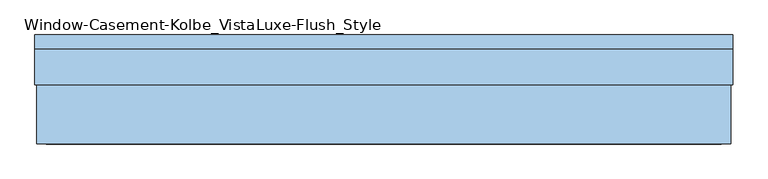
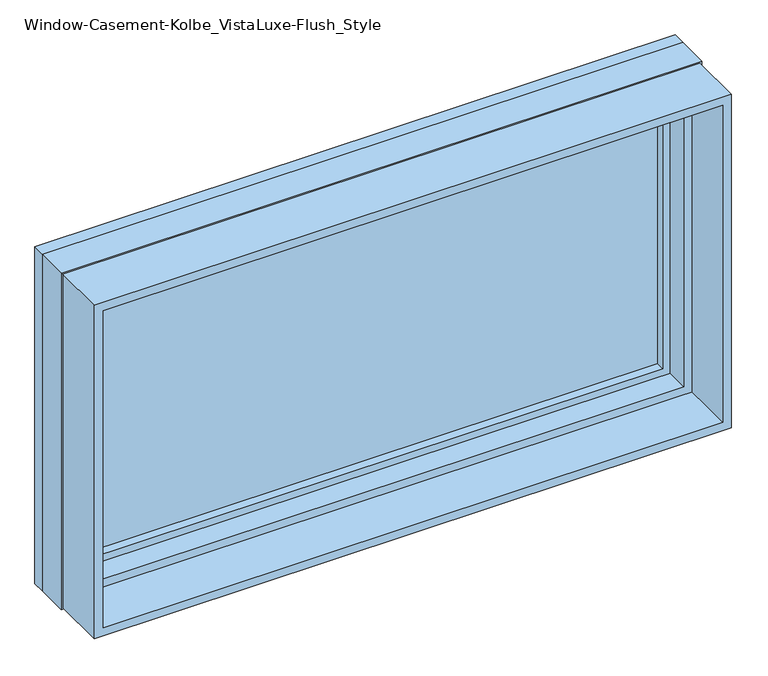
"""IFC4 building model written with IfcOpenShell, lengths in millimetres: window geometry, Window-Casement-Kolbe_VistaLuxe-Flush_Style."""

from ifc_helpers import new_model, si_unit, frame, origin, place, context, project, spatial, polyline, outline, extrude, faceted_brep, source, transform, mapped, element, save


def window_casement_kolbe_vistaluxe_flush_style_ca191bc2(model_context):
    return source(origin(), model_context, "Body", "SolidModel", [
        faceted_brep([(-635.0696599, 111.85398, 970.676875), (623.9765901, 111.85398, 970.676875), (623.9765901, 119.79148, 970.676875), (-635.0696599, 119.79148, 970.676875), (-650.9446599, 89.60358, 954.801875), (639.8515901, 89.60358, 954.801875), (639.8515901, 111.85398, 954.801875), (-650.9446599, 111.85398, 954.801875), (-635.0696599, 70.57898, 970.676875), (623.9765901, 70.57898, 970.676875), (623.9765901, 89.60358, 970.676875), (-635.0696599, 89.60358, 970.676875), (-679.5196599, 119.79148, 926.226875), (668.4265901, 119.79148, 926.226875), (668.4265901, 70.57898, 926.226875), (-679.5196599, 70.57898, 926.226875), (623.9765901, 111.85398, 1620.123125), (623.9765901, 119.79148, 1620.123125), (639.8515901, 89.60358, 1635.998125), (639.8515901, 111.85398, 1635.998125), (623.9765901, 70.57898, 1620.123125), (623.9765901, 89.60358, 1620.123125), (668.4265901, 119.79148, 1664.573125), (668.4265901, 70.57898, 1664.573125), (-635.0696599, 111.85398, 1620.123125), (-635.0696599, 119.79148, 1620.123125), (-650.9446599, 89.60358, 1635.998125), (-650.9446599, 111.85398, 1635.998125), (-635.0696599, 70.57898, 1620.123125), (-635.0696599, 89.60358, 1620.123125), (-679.5196599, 119.79148, 1664.573125), (-679.5196599, 70.57898, 1664.573125)], [[[0, 1, 2, 3]], [[4, 5, 6, 7]], [[8, 9, 10, 11]], [[12, 13, 14, 15]], [[1, 16, 17, 2]], [[5, 18, 19, 6]], [[9, 20, 21, 10]], [[13, 22, 23, 14]], [[16, 24, 25, 17]], [[18, 26, 27, 19]], [[20, 28, 29, 21]], [[22, 30, 31, 23]], [[24, 0, 3, 25]], [[7, 6, 19, 27], [1, 0, 24, 16]], [[26, 4, 7, 27]], [[5, 4, 26, 18], [11, 10, 21, 29]], [[28, 8, 11, 29]], [[15, 14, 23, 31], [9, 8, 28, 20]], [[30, 12, 15, 31]], [[13, 12, 30, 22], [3, 2, 17, 25]]]),
        extrude(outline(polyline([(1672.8186, -687.7651349), (917.9814, -687.7651349), (917.9814, 676.6720651), (1672.8186, 676.6720651), (1672.8186, -687.7651349)]), holes=[polyline([(936.545625, -669.2009099), (1654.254375, -669.2009099), (1654.254375, 658.1078401), (936.545625, 658.1078401), (936.545625, -669.2009099)])]), frame((0.0, -93.6625, 0.0), z_axis=(0.0, 1.0, 0.0), x_axis=(0.0, 0.0, 1.0)), (0.0, 0.0, 1.0), 116.6622),
        extrude(outline(polyline([(1676.4, 680.2534651), (1676.4, -691.3465349), (914.4, -691.3465349), (914.4, 680.2534651), (1676.4, 680.2534651)]), holes=[polyline([(1664.573125, -679.5196599), (1664.573125, 668.4265901), (926.226875, 668.4265901), (926.226875, -679.5196599), (1664.573125, -679.5196599)])]), frame((0.0, 93.6625, 0.0), z_axis=(0.0, 1.0, 0.0), x_axis=(0.0, 0.0, 1.0)), (0.0, 0.0, 1.0), 26.924),
        faceted_brep([(680.2534651, 22.9997, 914.4), (-691.3465349, 22.9997, 914.4), (-691.3465349, 93.6625, 914.4), (680.2534651, 93.6625, 914.4), (658.1078401, 70.58025, 936.545625), (-669.2009099, 70.58025, 936.545625), (-669.2009099, 22.9997, 936.545625), (658.1078401, 22.9997, 936.545625), (668.4265901, 93.6625, 926.226875), (-679.5196599, 93.6625, 926.226875), (-679.5196599, 70.58025, 926.226875), (668.4265901, 70.58025, 926.226875), (-691.3465349, 22.9997, 1676.4), (-691.3465349, 93.6625, 1676.4), (-669.2009099, 70.58025, 1654.254375), (-669.2009099, 22.9997, 1654.254375), (-679.5196599, 93.6625, 1664.573125), (-679.5196599, 70.58025, 1664.573125), (680.2534651, 22.9997, 1676.4), (680.2534651, 93.6625, 1676.4), (658.1078401, 70.58025, 1654.254375), (658.1078401, 22.9997, 1654.254375), (668.4265901, 93.6625, 1664.573125), (668.4265901, 70.58025, 1664.573125)], [[[0, 1, 2, 3]], [[4, 5, 6, 7]], [[8, 9, 10, 11]], [[1, 12, 13, 2]], [[5, 14, 15, 6]], [[9, 16, 17, 10]], [[12, 18, 19, 13]], [[14, 20, 21, 15]], [[16, 22, 23, 17]], [[18, 0, 3, 19]], [[1, 0, 18, 12], [7, 6, 15, 21]], [[20, 4, 7, 21]], [[11, 10, 17, 23], [5, 4, 20, 14]], [[22, 8, 11, 23]], [[3, 2, 13, 19], [9, 8, 22, 16]]]),
        extrude(outline(polyline([(636.6765901, 92.77858), (636.6765901, 89.60358), (-647.7696599, 89.60358), (-647.7696599, 92.77858), (636.6765901, 92.77858)])), frame((0.0, 0.0, 957.976875), z_axis=(0.0, 0.0, 1.0), x_axis=(1.0, 0.0, 0.0)), (0.0, 0.0, 1.0), 674.84625),
        extrude(outline(polyline([(636.6765901, 108.67898), (-647.7696599, 108.67898), (-647.7696599, 111.85398), (636.6765901, 111.85398), (636.6765901, 108.67898)])), frame((0.0, 0.0, 957.976875), z_axis=(0.0, 0.0, 1.0), x_axis=(1.0, 0.0, 0.0)), (0.0, 0.0, 1.0), 674.84625),
        extrude(outline(polyline([(936.545625, -669.2009099), (936.545625, 658.1078401), (1654.254375, 658.1078401), (1654.254375, -669.2009099), (936.545625, -669.2009099)]), holes=[polyline([(954.801875, 639.8515901), (954.801875, -650.9446599), (1635.998125, -650.9446599), (1635.998125, 639.8515901), (954.801875, 639.8515901)])]), frame((0.0, 19.78025, 0.0), z_axis=(0.0, 1.0, 0.0), x_axis=(0.0, 0.0, 1.0)), (0.0, 0.0, 1.0), 50.8),
    ])


if __name__ == "__main__":
    model = new_model("IFC4")
    model_context = context("Model", 3, world=origin())
    ifc_project = project(units=[si_unit("LENGTHUNIT", "METRE", prefix="MILLI")], contexts=[model_context])
    site = spatial("IfcSite", under=ifc_project)
    building = spatial("IfcBuilding", under=site)
    placement = place(None, origin())
    window_casement_kolbe_vistaluxe_flush_style_shape = window_casement_kolbe_vistaluxe_flush_style_ca191bc2(model_context)
    element("IfcWindow", 1, ObjectType="Window-Casement-Kolbe_VistaLuxe-Flush_Style", at=placement, inside=building, context=model_context, shape_type="MappedRepresentation", body=[
        mapped(window_casement_kolbe_vistaluxe_flush_style_shape, transform((0.0, 0.0, 0.0), x_axis=(1.0, 0.0, 0.0), y_axis=(0.0, 1.0, 0.0), z_axis=(0.0, 0.0, 1.0))),
    ])
    save(model, "model.ifc")
